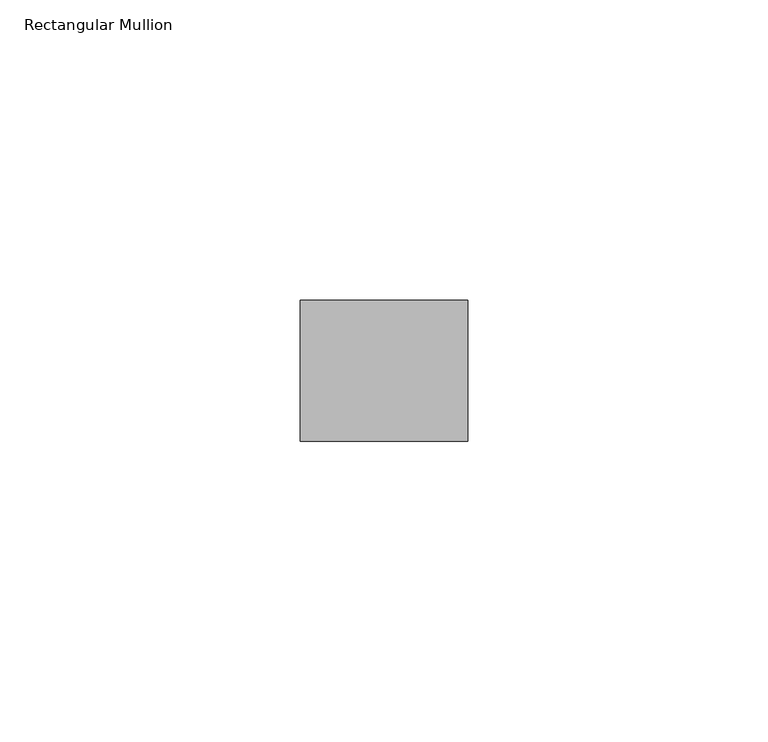
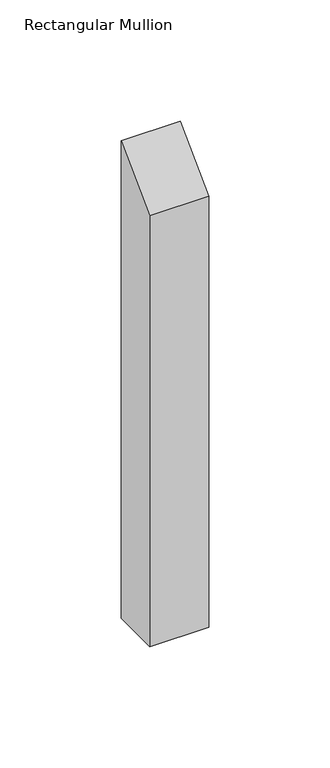
"""IFC4 building model written with IfcOpenShell, lengths in millimetres: member geometry, Rectangular Mullion."""

from ifc_helpers import new_model, si_unit, frame, origin, place, context, project, spatial, polyline, outline, extrude, source, transform, mapped, element, save


def rectangular_mullion_1ec0e5e7(model_context):
    return source(origin(), model_context, "Body", "SweptSolid", [
        extrude(outline(polyline([(-11.7474999, -11.7474999), (11.7474999, 11.7474999), (11.7474999, -228.6), (-11.7474999, -228.6), (-11.7474999, -11.7474999)])), frame((-27.94, 0.0, 0.0), z_axis=(1.0, 0.0, 0.0), x_axis=(0.0, 1.0, 0.0)), (0.0, 0.0, 1.0), 27.94),
    ])


if __name__ == "__main__":
    model = new_model("IFC4")
    model_context = context("Model", 3, world=origin())
    ifc_project = project(units=[si_unit("LENGTHUNIT", "METRE", prefix="MILLI")], contexts=[model_context])
    site = spatial("IfcSite", under=ifc_project)
    building = spatial("IfcBuilding", under=site)
    placement = place(None, origin())
    rectangular_mullion_shape = rectangular_mullion_1ec0e5e7(model_context)
    element("IfcMember", 1, ObjectType="Rectangular Mullion", at=placement, inside=building, context=model_context, shape_type="MappedRepresentation", body=[
        mapped(rectangular_mullion_shape, transform((0.0, 0.0, 0.0), x_axis=(1.0, 0.0, 0.0), y_axis=(0.0, 1.0, 0.0), z_axis=(0.0, 0.0, 1.0))),
    ])
    save(model, "model.ifc")
